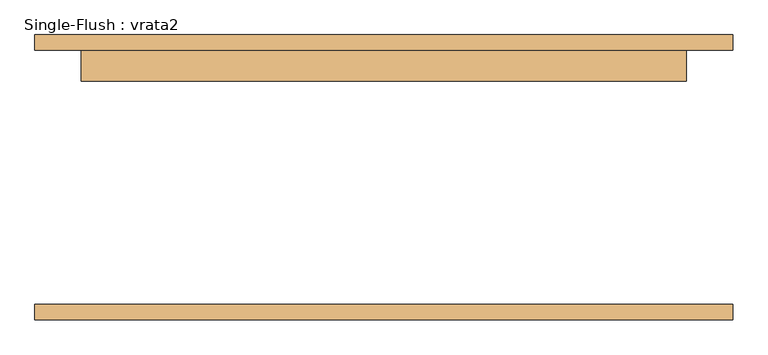
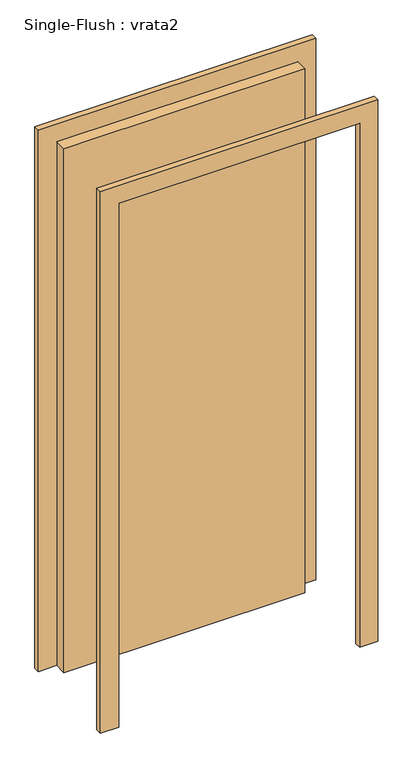
"""IFC4 building model written with IfcOpenShell, lengths in millimetres: door geometry, Single-Flush : vrata2."""

import ifcopenshell
import ifcopenshell.guid

model = None  # the IFC model being written
_history = None  # IfcOwnerHistory: only IFC2X3 demands one
_inside = {}  # id of a spatial element -> (the spatial element, [elements in it])
_under = {}  # id of a project, library or spatial element -> (it, [spatial elements below it])
_declared = {}  # id of a project -> (the project, [libraries it declares])
_typed = {}  # id of a type object -> (the type object, [elements of that type])
_made_of = {}  # id of a material, layer set ... -> (it, [elements and type objects made of it])


def new_model(schema):
    """Start an empty IFC model of exactly this schema.

    Asked for "IFC4X3", IfcOpenShell would pick the latest addendum, in which some entities
    have other attributes; the version numbers below select the first issue.
    IFC2X3 requires an IfcOwnerHistory on every rooted entity: one is made here for all.
    """
    global model, _history
    if schema == "IFC4X3":
        model = ifcopenshell.file(schema_version=(4, 3, 0, 0))
    else:
        model = ifcopenshell.file(schema=schema)
    _inside.clear()
    _under.clear()
    _declared.clear()
    _typed.clear()
    _made_of.clear()
    _history = None
    if model.schema == "IFC2X3":
        org = make("IfcOrganization", Name="unknown")
        user = make(
            "IfcPersonAndOrganization",
            ThePerson=make("IfcPerson", FamilyName="unknown"),
            TheOrganization=org,
        )
        app = make(
            "IfcApplication",
            ApplicationDeveloper=org,
            Version="unknown",
            ApplicationFullName="unknown",
            ApplicationIdentifier="unknown",
        )
        _history = make(
            "IfcOwnerHistory",
            OwningUser=user,
            OwningApplication=app,
            ChangeAction="ADDED",
            CreationDate=0,
        )
    return model


def make(cls, **values):
    """One entity of the class cls with the attributes given. An attribute that is None is left unset."""
    return model.create_entity(
        cls, **{name: value for name, value in values.items() if value is not None}
    )


def rooted(cls, **values):
    """An entity with a GlobalId (a new one), such as an element, a storey or a relation."""
    return make(cls, GlobalId=ifcopenshell.guid.new(), OwnerHistory=_history, **values)


def si_unit(unit_type, name, prefix=None):
    """IfcSIUnit, for example si_unit("LENGTHUNIT", "METRE", prefix="MILLI")."""
    return make("IfcSIUnit", UnitType=unit_type, Prefix=prefix, Name=name)


def assignment(units):
    """IfcUnitAssignment: the units of a project."""
    return None if units is None else make("IfcUnitAssignment", Units=units)


def point(xyz):
    """IfcCartesianPoint."""
    return None if xyz is None else make("IfcCartesianPoint", Coordinates=xyz)


def direction(xyz):
    """IfcDirection."""
    return None if xyz is None else make("IfcDirection", DirectionRatios=xyz)


def frame(location, z_axis=None, x_axis=None):
    """IfcAxis2Placement3D, a coordinate frame: its origin and axes. An axis left out is left unset."""
    return make(
        "IfcAxis2Placement3D",
        Location=point(location),
        Axis=direction(z_axis),
        RefDirection=direction(x_axis),
    )


def origin():
    """The frame at (0, 0, 0) with its axes left unset."""
    return frame((0.0, 0.0, 0.0))


def origin_with_axes():
    """The frame at (0, 0, 0) with the z axis (0, 0, 1) and the x axis (1, 0, 0) written out."""
    return frame((0.0, 0.0, 0.0), z_axis=(0.0, 0.0, 1.0), x_axis=(1.0, 0.0, 0.0))


def place(relative_to, where):
    """IfcLocalPlacement: puts the frame where relative to a parent placement (None: the world)."""
    return make(
        "IfcLocalPlacement", PlacementRelTo=relative_to, RelativePlacement=where
    )


def context(
    kind, dimensions, precision=None, world=None, true_north=None, identifier=None
):
    """IfcGeometricRepresentationContext, for example the 3D "Model" context."""
    return make(
        "IfcGeometricRepresentationContext",
        ContextIdentifier=identifier,
        ContextType=kind,
        CoordinateSpaceDimension=dimensions,
        Precision=precision,
        WorldCoordinateSystem=world,
        TrueNorth=true_north,
    )


def project(units=None, contexts=None):
    """IfcProject with its units and contexts."""
    return rooted(
        "IfcProject",
        Name="project",
        RepresentationContexts=contexts,
        UnitsInContext=assignment(units),
    )


def spatial(cls, under=None, at=None, **own):
    """A site, building, storey or space (cls), placed at a placement, below another one or the project."""
    s = rooted(cls, ObjectPlacement=at, **own)
    if under is not None:
        _under.setdefault(under.id(), (under, []))[1].append(s)
    return s


def polyline(points):
    """IfcPolyline through the points."""
    return make("IfcPolyline", Points=[point(p) for p in points])


def outline(outer, holes=None, kind="AREA"):
    """IfcArbitraryClosedProfileDef: a profile drawn as a closed curve; with holes, ...WithVoids."""
    if holes is None:
        return make("IfcArbitraryClosedProfileDef", ProfileType=kind, OuterCurve=outer)
    return make(
        "IfcArbitraryProfileDefWithVoids",
        ProfileType=kind,
        OuterCurve=outer,
        InnerCurves=holes,
    )


def extrude(swept, where, along, depth):
    """IfcExtrudedAreaSolid: the profile swept, set in the frame where, extruded along a direction by depth."""
    return make(
        "IfcExtrudedAreaSolid",
        SweptArea=swept,
        Position=where,
        ExtrudedDirection=direction(along),
        Depth=depth,
    )


def shape(context_of_items, identifier, shape_type, items):
    """IfcShapeRepresentation: the items that make up one representation, for example the "Body"."""
    return make(
        "IfcShapeRepresentation",
        ContextOfItems=context_of_items,
        RepresentationIdentifier=identifier,
        RepresentationType=shape_type,
        Items=items,
    )


def source(mapping_origin, context_of_items, identifier, shape_type, items):
    """IfcRepresentationMap: a shape defined once, which mapped items show again and again."""
    return make(
        "IfcRepresentationMap",
        MappingOrigin=mapping_origin,
        MappedRepresentation=shape(context_of_items, identifier, shape_type, items),
    )


def transform(
    local_origin,
    x_axis=None,
    y_axis=None,
    z_axis=None,
    scale=None,
    scale2=None,
    scale3=None,
    uniform=True,
):
    """IfcCartesianTransformationOperator3D, or its non-uniform kind. x_axis, y_axis, z_axis: its Axis1, 2, 3."""
    if uniform:
        return make(
            "IfcCartesianTransformationOperator3D",
            Axis1=direction(x_axis),
            Axis2=direction(y_axis),
            LocalOrigin=point(local_origin),
            Scale=scale,
            Axis3=direction(z_axis),
        )
    return make(
        "IfcCartesianTransformationOperator3DnonUniform",
        Axis1=direction(x_axis),
        Axis2=direction(y_axis),
        LocalOrigin=point(local_origin),
        Scale=scale,
        Axis3=direction(z_axis),
        Scale2=scale2,
        Scale3=scale3,
    )


def mapped(mapping_source, mapping_target):
    """IfcMappedItem: shows the shape of a source again, moved by a transform."""
    return make(
        "IfcMappedItem", MappingSource=mapping_source, MappingTarget=mapping_target
    )


def made_of(thing, what):
    """Note that an element or type object is made of a material, layer set ...; save() writes the relation."""
    if what is not None:
        _made_of.setdefault(what.id(), (what, []))[1].append(thing)
    return thing


def element(
    cls,
    number,
    at=None,
    inside=None,
    cuts=None,
    type_object=None,
    material=None,
    context=None,
    identifier="Body",
    shape_type=None,
    held_by="IfcProductDefinitionShape",
    body=None,
    shapes=None,
    **own,
):
    """One element of the class cls, such as IfcWall. Its Tag is "e" and its number.

    at: its placement. inside: the storey or other place that contains it. cuts: it is an
    opening in that element (IfcRelVoidsElement). A single representation is given by context,
    identifier, shape_type and body (its items); several are given by shapes. held_by: the class
    of the entity that holds the representations. save() writes the other relations.
    """
    e = rooted(cls, Tag="e%d" % number, ObjectPlacement=at, **own)
    if body is not None:
        shapes = [shape(context, identifier, shape_type, body)]
    if shapes is not None:
        e.Representation = make(held_by, Representations=shapes)
    if inside is not None:
        _inside.setdefault(inside.id(), (inside, []))[1].append(e)
    if cuts is not None:
        rooted(
            "IfcRelVoidsElement", RelatingBuildingElement=cuts, RelatedOpeningElement=e
        )
    if type_object is not None:
        _typed.setdefault(type_object.id(), (type_object, []))[1].append(e)
    return made_of(e, material)


def aggregate(whole, parts):
    """IfcRelAggregates: a whole, such as a stair, and the parts it consists of."""
    return rooted("IfcRelAggregates", RelatingObject=whole, RelatedObjects=parts)


def save(model, path):
    """Write the relations noted so far, then the file.

    IfcRelAggregates (storeys below a building ...), IfcRelContainedInSpatialStructure (elements
    in a storey), IfcRelDefinesByType, IfcRelAssociatesMaterial and IfcRelDeclares: one each for
    every whole, place, type object, material and project.
    """
    for whole, parts in _under.values():
        aggregate(whole, parts)
    for where, things in _inside.values():
        rooted(
            "IfcRelContainedInSpatialStructure",
            RelatedElements=things,
            RelatingStructure=where,
        )
    for kind, things in _typed.values():
        rooted("IfcRelDefinesByType", RelatedObjects=things, RelatingType=kind)
    for what, things in _made_of.values():
        rooted("IfcRelAssociatesMaterial", RelatedObjects=things, RelatingMaterial=what)
    for by, libraries in _declared.values():
        rooted("IfcRelDeclares", RelatingContext=by, RelatedDefinitions=libraries)
    model.write(path)


def single_flush_vrata2_9cddd80d(model_context):
    return source(origin(), model_context, "Body", "SweptSolid", [
        extrude(outline(polyline([(2376.2, -576.2), (0.0, -576.2), (0.0, -500.0), (2300.0, -500.0), (2300.0, 500.0), (0.0, 500.0), (0.0, 576.2), (2376.2, 576.2), (2376.2, -576.2)])), frame((0.0, 210.0, 0.0), z_axis=(0.0, 1.0, 0.0), x_axis=(0.0, 0.0, 1.0)), (0.0, 0.0, 1.0), 25.4),
        extrude(outline(polyline([(2376.2, 576.2), (2376.2, -576.2), (0.0, -576.2), (0.0, -500.0), (2300.0, -500.0), (2300.0, 500.0), (0.0, 500.0), (0.0, 576.2), (2376.2, 576.2)])), frame((0.0, -235.4, 0.0), z_axis=(0.0, 1.0, 0.0), x_axis=(0.0, 0.0, 1.0)), (0.0, 0.0, 1.0), 25.4),
        extrude(outline(polyline([(500.0, 159.2), (-500.0, 159.2), (-500.0, 210.0), (500.0, 210.0), (500.0, 159.2)])), origin_with_axes(), (0.0, 0.0, 1.0), 2300.0),
    ])


if __name__ == "__main__":
    model = new_model("IFC4")
    model_context = context("Model", 3, world=origin())
    ifc_project = project(units=[si_unit("LENGTHUNIT", "METRE", prefix="MILLI")], contexts=[model_context])
    site = spatial("IfcSite", under=ifc_project)
    building = spatial("IfcBuilding", under=site)
    placement = place(None, origin())
    single_flush_vrata2_shape = single_flush_vrata2_9cddd80d(model_context)
    element("IfcDoor", 1, ObjectType="Single-Flush : vrata2", at=placement, inside=building, context=model_context, shape_type="MappedRepresentation", body=[
        mapped(single_flush_vrata2_shape, transform((0.0, 0.0, 0.0), x_axis=(1.0, 0.0, 0.0), y_axis=(0.0, 1.0, 0.0), z_axis=(0.0, 0.0, 1.0))),
    ])
    save(model, "model.ifc")
